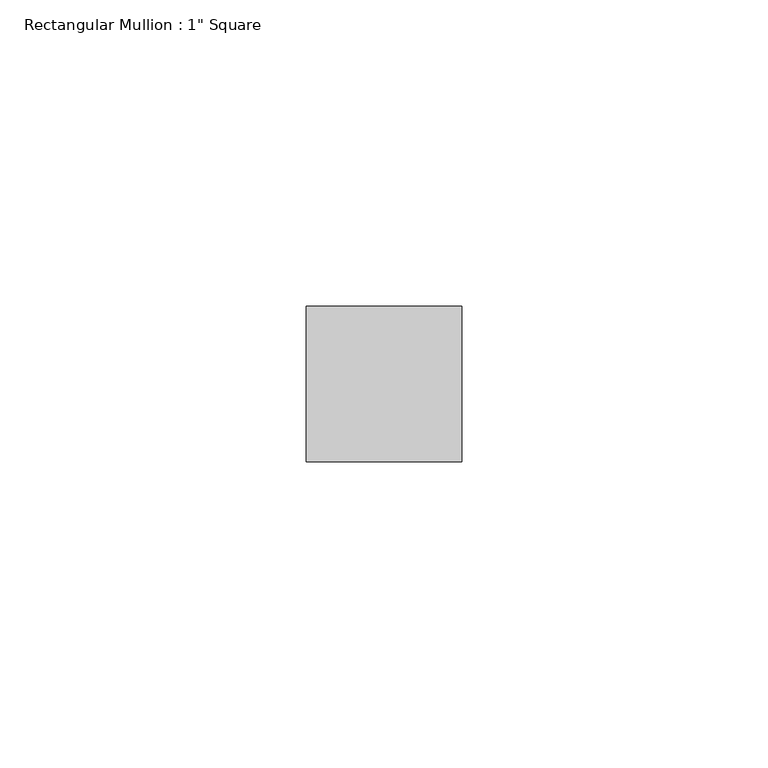
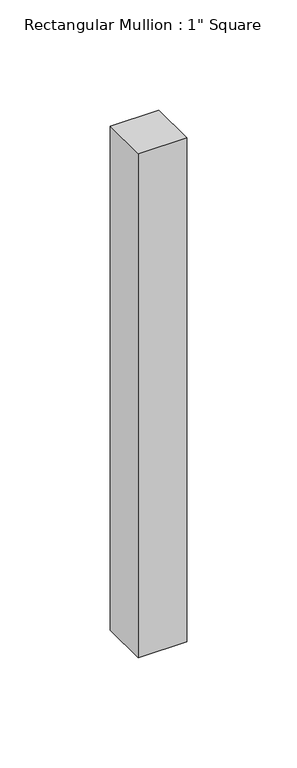
"""IFC4 building model written with IfcOpenShell, lengths in millimetres: member geometry."""

from ifc_helpers import new_model, si_unit, frame, origin, place, context, project, spatial, polyline, outline, extrude, source, transform, mapped, element, save


def member_4706bdcf(model_context):
    return source(origin(), model_context, "Body", "SweptSolid", [
        extrude(outline(polyline([(12.7, 12.7), (12.7, -12.7), (-12.7, -12.7), (-12.7, 12.7), (12.7, 12.7)])), frame((0.0, 0.0, -279.4), z_axis=(0.0, 0.0, 1.0), x_axis=(1.0, 0.0, 0.0)), (0.0, 0.0, 1.0), 279.4),
    ])


if __name__ == "__main__":
    model = new_model("IFC4")
    model_context = context("Model", 3, world=origin())
    ifc_project = project(units=[si_unit("LENGTHUNIT", "METRE", prefix="MILLI")], contexts=[model_context])
    site = spatial("IfcSite", under=ifc_project)
    building = spatial("IfcBuilding", under=site)
    placement = place(None, origin())
    member_shape = member_4706bdcf(model_context)
    element("IfcMember", 1, ObjectType="Rectangular Mullion : 1\" Square", at=placement, inside=building, context=model_context, shape_type="MappedRepresentation", body=[
        mapped(member_shape, transform((0.0, 0.0, 0.0), x_axis=(1.0, 0.0, 0.0), y_axis=(0.0, 1.0, 0.0), z_axis=(0.0, 0.0, 1.0))),
    ])
    save(model, "model.ifc")
